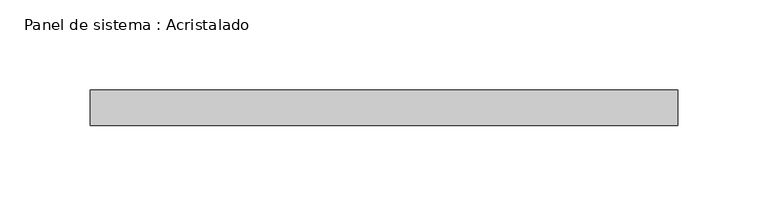
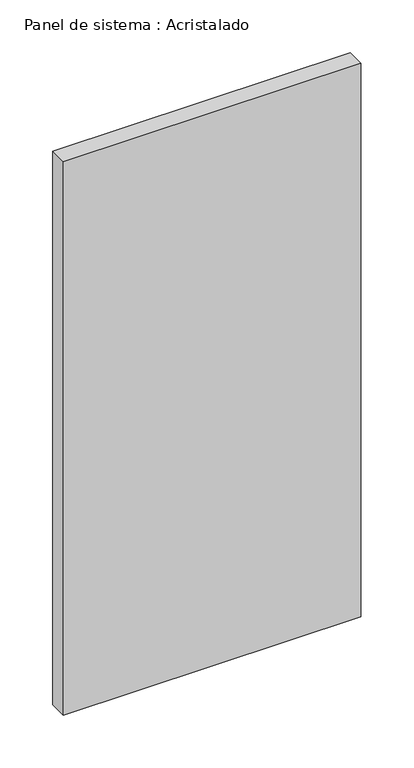
"""IFC4 building model written with IfcOpenShell, lengths in millimetres: plate geometry, Panel de sistema : Acristalado."""

from ifc_helpers import new_model, si_unit, origin, origin_with_axes, place, context, project, spatial, polyline, outline, extrude, source, transform, mapped, element, save


def panel_de_sistema_acristalado_74b96844(model_context):
    return source(origin(), model_context, "Body", "SweptSolid", [
        extrude(outline(polyline([(163.3333333, -10.0), (-163.3333333, -10.0), (-163.3333333, 10.0), (163.3333333, 10.0), (163.3333333, -10.0)])), origin_with_axes(), (0.0, 0.0, 1.0), 642.1037779),
    ])


if __name__ == "__main__":
    model = new_model("IFC4")
    model_context = context("Model", 3, world=origin())
    ifc_project = project(units=[si_unit("LENGTHUNIT", "METRE", prefix="MILLI")], contexts=[model_context])
    site = spatial("IfcSite", under=ifc_project)
    building = spatial("IfcBuilding", under=site)
    placement = place(None, origin())
    panel_de_sistema_acristalado_shape = panel_de_sistema_acristalado_74b96844(model_context)
    element("IfcPlate", 1, ObjectType="Panel de sistema : Acristalado", at=placement, inside=building, context=model_context, shape_type="MappedRepresentation", body=[
        mapped(panel_de_sistema_acristalado_shape, transform((0.0, 0.0, 0.0), x_axis=(1.0, 0.0, 0.0), y_axis=(0.0, 1.0, 0.0), z_axis=(0.0, 0.0, 1.0))),
    ])
    save(model, "model.ifc")
